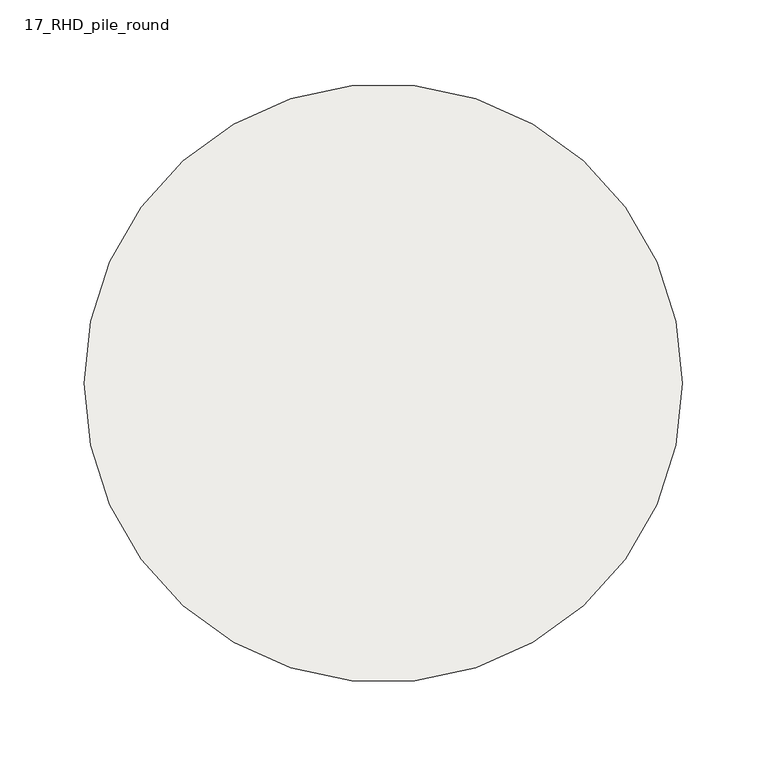
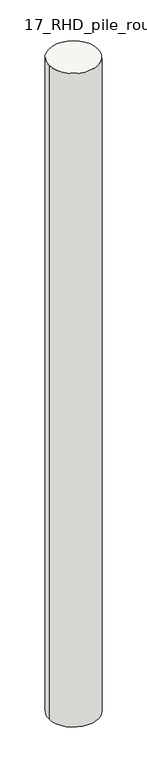
"""IFC4 building model written with IfcOpenShell, lengths in millimetres: slab geometry, 17_RHD_pile_round."""

from ifc_helpers import new_model, si_unit, point, frame, origin, origin_2d, place, context, project, spatial, circle_curve, trimmed, segment, composite_curve, outline, extrude, source, transform, mapped, element, save


def slab_17_rhd_pile_round_641798b6(model_context):
    return source(origin(), model_context, "Body", "SweptSolid", [
        extrude(outline(composite_curve([segment(trimmed(circle_curve(origin_2d(), 178.0), [point((-178.0, 0.0))], [point((178.0, 0.0))], False, "CARTESIAN"), True, "CONTINUOUS"), segment(trimmed(circle_curve(origin_2d(), 178.0), [point((178.0, 0.0))], [point((-178.0, 0.0))], False, "CARTESIAN"), True, "CONTINUOUS")], self_intersect=False)), frame((0.0, 0.0, -5000.0), z_axis=(0.0, 0.0, 1.0), x_axis=(1.0, 0.0, 0.0)), (0.0, 0.0, 1.0), 5000.0),
    ])


if __name__ == "__main__":
    model = new_model("IFC4")
    model_context = context("Model", 3, world=origin())
    ifc_project = project(units=[si_unit("LENGTHUNIT", "METRE", prefix="MILLI")], contexts=[model_context])
    site = spatial("IfcSite", under=ifc_project)
    building = spatial("IfcBuilding", under=site)
    placement = place(None, origin())
    slab_17_rhd_pile_round_shape = slab_17_rhd_pile_round_641798b6(model_context)
    element("IfcSlab", 1, ObjectType="17_RHD_pile_round", at=placement, inside=building, context=model_context, shape_type="MappedRepresentation", body=[
        mapped(slab_17_rhd_pile_round_shape, transform((0.0, 0.0, 0.0), x_axis=(1.0, 0.0, 0.0), y_axis=(0.0, 1.0, 0.0), z_axis=(0.0, 0.0, 1.0))),
    ])
    save(model, "model.ifc")
